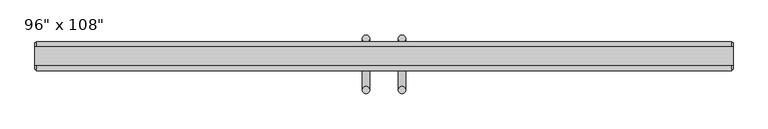
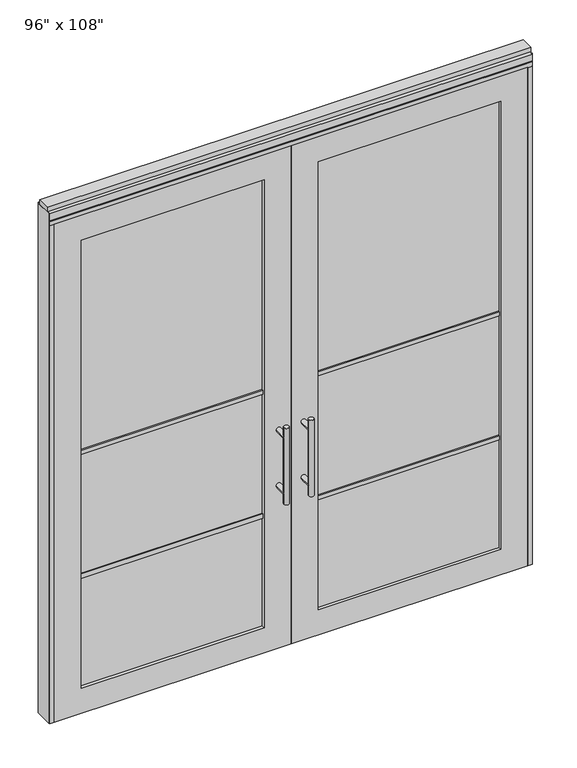
"""IFC4 building model written with IfcOpenShell, lengths in millimetres: furniture geometry."""

from ifc_helpers import new_model, si_unit, frame, origin, origin_with_axes, place, context, project, spatial, polyline, circle_curve, ellipse_curve, outline, extrude, source, transform, mapped, element, save
from ifc_brep_helpers import plane_surface, cylinder_surface, advanced_brep


def furniture_77e76c0b(model_context):
    return source(origin(), model_context, "Body", "SolidModel", [
        advanced_brep(
        [(-110.0745229, 56.6962784, 1219.2), (-135.4745229, 56.6962784, 1219.2), (-110.0745229, 56.6962784, 812.8), (-135.4745229, 56.6962784, 812.8), (-110.0745229, 56.6962784, 1164.336), (-110.0745229, 56.6962784, 867.664), (-135.4745229, 56.6962784, 867.664), (-135.4745229, 56.6962784, 1164.336), (-110.0745229, -10.8677216, 1164.336), (-135.4745229, -10.8677216, 1164.336), (-110.0745229, -10.8677216, 867.664), (-135.4745229, -10.8677216, 867.664)],
        [
            (0, 1, circle_curve(frame((-122.7745229, 56.6962784, 1219.2), z_axis=(0.0, 0.0, 1.0), x_axis=(-1.0, 0.0, 0.0)), 12.7)),
            (1, 0, circle_curve(frame((-122.7745229, 56.6962784, 1219.2), z_axis=(0.0, 0.0, 1.0), x_axis=(-1.0, 0.0, 0.0)), 12.7)),
            (2, 3, circle_curve(frame((-122.7745229, 56.6962784, 812.8), z_axis=(0.0, 0.0, -1.0), x_axis=(-1.0, 0.0, 0.0)), 12.7)),
            (3, 2, circle_curve(frame((-122.7745229, 56.6962784, 812.8), z_axis=(0.0, 0.0, -1.0), x_axis=(-1.0, 0.0, 0.0)), 12.7)),
            (0, 4),
            (4, 5),
            (5, 2),
            (3, 6),
            (6, 7),
            (7, 1),
            (7, 4, ellipse_curve(frame((-122.7745229, 56.6962784, 1164.336), z_axis=(0.0, 0.707106781186565, 0.70710678118653), x_axis=(0.0, -0.70710678118653, 0.707106781186565)), 17.9605122, 12.7)),
            (5, 6, ellipse_curve(frame((-122.7745229, 56.6962784, 867.664), z_axis=(0.0, 0.70710678118653, -0.7071067811865649), x_axis=(0.0, 0.7071067811865648, 0.7071067811865301)), 17.9605122, 12.7)),
            (4, 7, ellipse_curve(frame((-122.7745229, 56.6962784, 1164.336), z_axis=(0.0, 0.70710678118653, -0.7071067811865649), x_axis=(0.0, 0.7071067811865648, 0.7071067811865301)), 17.9605122, 12.7)),
            (6, 5, ellipse_curve(frame((-122.7745229, 56.6962784, 867.664), z_axis=(0.0, 0.707106781186565, 0.70710678118653), x_axis=(0.0, -0.70710678118653, 0.707106781186565)), 17.9605122, 12.7)),
            (8, 9, circle_curve(frame((-122.7745229, -10.8677216, 1164.336), z_axis=(0.0, -1.0, 0.0), x_axis=(-1.0, 0.0, 0.0)), 12.7)),
            (9, 8, circle_curve(frame((-122.7745229, -10.8677216, 1164.336), z_axis=(0.0, -1.0, 0.0), x_axis=(-1.0, 0.0, 0.0)), 12.7)),
            (9, 7),
            (4, 8),
            (10, 11, circle_curve(frame((-122.7745229, -10.8677216, 867.664), z_axis=(0.0, -1.0, 0.0), x_axis=(-1.0, 0.0, 0.0)), 12.7)),
            (11, 10, circle_curve(frame((-122.7745229, -10.8677216, 867.664), z_axis=(0.0, -1.0, 0.0), x_axis=(-1.0, 0.0, 0.0)), 12.7)),
            (11, 6),
            (5, 10),
        ],
        [
            plane_surface(frame((-135.4745229, 56.6962784, 1219.2), z_axis=(0.0, 0.0, 1.0), x_axis=(0.0, -1.0, 0.0))),
            plane_surface(frame((-135.4745229, 56.6962784, 812.8), z_axis=(0.0, 0.0, -1.0), x_axis=(0.0, 1.0, 0.0))),
            cylinder_surface(frame((-122.7745229, 56.6962784, 812.8), z_axis=(0.0, 0.0, 1.0), x_axis=(-1.0, 0.0, 0.0)), 12.7),
            plane_surface(frame((-135.4745229, -10.8677216, 1164.336), z_axis=(0.0, -1.0, 0.0), x_axis=(0.0, 0.0, -1.0))),
            cylinder_surface(frame((-122.7745229, -10.8677216, 1164.336), z_axis=(0.0, 1.0, 0.0), x_axis=(-1.0, 0.0, 0.0)), 12.7),
            plane_surface(frame((-135.4745229, -10.8677216, 867.664), z_axis=(0.0, -1.0, 0.0), x_axis=(0.0, 0.0, -1.0))),
            cylinder_surface(frame((-122.7745229, -10.8677216, 867.664), z_axis=(0.0, 1.0, 0.0), x_axis=(-1.0, 0.0, 0.0)), 12.7),
        ],
        [
            (0, [[1, 2]]),
            (1, [[3, 4]]),
            (2, [[-1, 5, 6, 7, -4, 8, 9, 10]]),
            (2, [[-2, -10, 11, -5]]),
            (2, [[-3, -7, 12, -8]]),
            (2, [[13, -9, 14, -6]]),
            (3, [[15, 16]]),
            (4, [[-16, 17, -13, 18]]),
            (4, [[-15, -18, -11, -17]]),
            (5, [[19, 20]]),
            (6, [[-20, 21, -12, 22]]),
            (6, [[-19, -22, -14, -21]]),
        ],
    ),
        advanced_brep(
        [(-110.0745229, -122.8817216, 1219.2), (-135.4745229, -122.8817216, 1219.2), (-110.0745229, -122.8817216, 812.8), (-135.4745229, -122.8817216, 812.8), (-135.4745229, -122.8817216, 1164.336), (-135.4745229, -122.8817216, 867.664), (-110.0745229, -122.8817216, 867.664), (-110.0745229, -122.8817216, 1164.336), (-110.0745229, -55.3177216, 1164.336), (-135.4745229, -55.3177216, 1164.336), (-110.0745229, -55.3177216, 867.664), (-135.4745229, -55.3177216, 867.664)],
        [
            (0, 1, circle_curve(frame((-122.7745229, -122.8817216, 1219.2), z_axis=(0.0, 0.0, 1.0), x_axis=(-1.0, 0.0, 0.0)), 12.7)),
            (1, 0, circle_curve(frame((-122.7745229, -122.8817216, 1219.2), z_axis=(0.0, 0.0, 1.0), x_axis=(-1.0, 0.0, 0.0)), 12.7)),
            (2, 3, circle_curve(frame((-122.7745229, -122.8817216, 812.8), z_axis=(0.0, 0.0, -1.0), x_axis=(-1.0, 0.0, 0.0)), 12.7)),
            (3, 2, circle_curve(frame((-122.7745229, -122.8817216, 812.8), z_axis=(0.0, 0.0, -1.0), x_axis=(-1.0, 0.0, 0.0)), 12.7)),
            (1, 4),
            (4, 5),
            (5, 3),
            (2, 6),
            (6, 7),
            (7, 0),
            (6, 5, ellipse_curve(frame((-122.7745229, -122.8817216, 867.664), z_axis=(0.0, -0.707106781186565, 0.70710678118653), x_axis=(0.0, 0.70710678118653, 0.707106781186565)), 17.9605122, 12.7)),
            (4, 7, ellipse_curve(frame((-122.7745229, -122.8817216, 1164.336), z_axis=(0.0, -0.70710678118653, -0.7071067811865649), x_axis=(0.0, -0.7071067811865648, 0.7071067811865301)), 17.9605122, 12.7)),
            (7, 4, ellipse_curve(frame((-122.7745229, -122.8817216, 1164.336), z_axis=(0.0, -0.707106781186565, 0.70710678118653), x_axis=(0.0, 0.70710678118653, 0.707106781186565)), 17.9605122, 12.7)),
            (5, 6, ellipse_curve(frame((-122.7745229, -122.8817216, 867.664), z_axis=(0.0, -0.70710678118653, -0.7071067811865649), x_axis=(0.0, -0.7071067811865648, 0.7071067811865301)), 17.9605122, 12.7)),
            (8, 9, circle_curve(frame((-122.7745229, -55.3177216, 1164.336), z_axis=(0.0, 1.0, 0.0), x_axis=(-1.0, 0.0, 0.0)), 12.7)),
            (9, 8, circle_curve(frame((-122.7745229, -55.3177216, 1164.336), z_axis=(0.0, 1.0, 0.0), x_axis=(-1.0, 0.0, 0.0)), 12.7)),
            (8, 7),
            (4, 9),
            (10, 11, circle_curve(frame((-122.7745229, -55.3177216, 867.664), z_axis=(0.0, 1.0, 0.0), x_axis=(-1.0, 0.0, 0.0)), 12.7)),
            (11, 10, circle_curve(frame((-122.7745229, -55.3177216, 867.664), z_axis=(0.0, 1.0, 0.0), x_axis=(-1.0, 0.0, 0.0)), 12.7)),
            (10, 6),
            (5, 11),
        ],
        [
            plane_surface(frame((-135.4745229, -122.8817216, 1219.2), z_axis=(0.0, 0.0, 1.0), x_axis=(0.0, 1.0, 0.0))),
            plane_surface(frame((-135.4745229, -122.8817216, 812.8), z_axis=(0.0, 0.0, -1.0), x_axis=(0.0, -1.0, 0.0))),
            cylinder_surface(frame((-122.7745229, -122.8817216, 812.8), z_axis=(0.0, 0.0, 1.0), x_axis=(-1.0, 0.0, 0.0)), 12.7),
            plane_surface(frame((-135.4745229, -55.3177216, 1164.336), z_axis=(0.0, 1.0, 0.0), x_axis=(0.0, 0.0, -1.0))),
            cylinder_surface(frame((-122.7745229, -55.3177216, 1164.336), z_axis=(0.0, -1.0, 0.0), x_axis=(-1.0, 0.0, 0.0)), 12.7),
            plane_surface(frame((-135.4745229, -55.3177216, 867.664), z_axis=(0.0, 1.0, 0.0), x_axis=(0.0, 0.0, -1.0))),
            cylinder_surface(frame((-122.7745229, -55.3177216, 867.664), z_axis=(0.0, -1.0, 0.0), x_axis=(-1.0, 0.0, 0.0)), 12.7),
        ],
        [
            (0, [[1, 2]]),
            (1, [[3, 4]]),
            (2, [[5, 6, 7, -3, 8, 9, 10, -2]]),
            (2, [[-9, 11, -6, 12]]),
            (2, [[-10, 13, -5, -1]]),
            (2, [[-7, 14, -8, -4]]),
            (3, [[15, 16]]),
            (4, [[17, -12, 18, -15]]),
            (4, [[-18, -13, -17, -16]]),
            (5, [[19, 20]]),
            (6, [[21, -14, 22, -19]]),
            (6, [[-22, -11, -21, -20]]),
        ],
    ),
        extrude(outline(polyline([(-196.0535229, -44.2052216), (-1117.0575229, -44.2052216), (-1117.0575229, -21.9802216), (-196.0535229, -21.9802216), (-196.0535229, -44.2052216)])), frame((0.0, 0.0, 1371.6), z_axis=(0.0, 0.0, 1.0), x_axis=(1.0, 0.0, 0.0)), (0.0, 0.0, 1.0), 22.225),
        extrude(outline(polyline([(-196.0535229, -44.2052216), (-1117.0575229, -44.2052216), (-1117.0575229, -21.9802216), (-196.0535229, -21.9802216), (-196.0535229, -44.2052216)])), frame((0.0, 0.0, 711.2), z_axis=(0.0, 0.0, 1.0), x_axis=(1.0, 0.0, 0.0)), (0.0, 0.0, 1.0), 22.225),
        extrude(outline(polyline([(-1117.0575229, -38.1727216), (-1117.0575229, -28.0127216), (-196.0535229, -28.0127216), (-196.0535229, -38.1727216), (-1117.0575229, -38.1727216)])), frame((0.0, 0.0, 132.969), z_axis=(0.0, 0.0, 1.0), x_axis=(1.0, 0.0, 0.0)), (0.0, 0.0, 1.0), 2388.362),
        extrude(outline(polyline([(2654.3, -1253.0745229), (0.0, -1253.0745229), (0.0, -60.0365229), (2654.3, -60.0365229), (2654.3, -1253.0745229)]), holes=[polyline([(2521.331, -1117.0575229), (2521.331, -196.0535229), (132.969, -196.0535229), (132.969, -1117.0575229), (2521.331, -1117.0575229)])]), frame((0.0, -55.3177216, 0.0), z_axis=(0.0, 1.0, 0.0), x_axis=(0.0, 0.0, 1.0)), (0.0, 0.0, 1.0), 44.45),
        advanced_brep(
        [(-9.9985229, 56.6962784, 1219.2), (15.4014771, 56.6962784, 1219.2), (-9.9985229, 56.6962784, 812.8), (15.4014771, 56.6962784, 812.8), (15.4014771, 56.6962784, 1164.336), (15.4014771, 56.6962784, 867.664), (-9.9985229, 56.6962784, 867.664), (-9.9985229, 56.6962784, 1164.336), (-9.9985229, -10.8677216, 1164.336), (15.4014771, -10.8677216, 1164.336), (-9.9985229, -10.8677216, 867.664), (15.4014771, -10.8677216, 867.664)],
        [
            (0, 1, circle_curve(frame((2.7014771, 56.6962784, 1219.2), z_axis=(0.0, 0.0, 1.0), x_axis=(1.0, 0.0, 0.0)), 12.7)),
            (1, 0, circle_curve(frame((2.7014771, 56.6962784, 1219.2), z_axis=(0.0, 0.0, 1.0), x_axis=(1.0, 0.0, 0.0)), 12.7)),
            (2, 3, circle_curve(frame((2.7014771, 56.6962784, 812.8), z_axis=(0.0, 0.0, -1.0), x_axis=(1.0, 0.0, 0.0)), 12.7)),
            (3, 2, circle_curve(frame((2.7014771, 56.6962784, 812.8), z_axis=(0.0, 0.0, -1.0), x_axis=(1.0, 0.0, 0.0)), 12.7)),
            (1, 4),
            (4, 5),
            (5, 3),
            (2, 6),
            (6, 7),
            (7, 0),
            (6, 5, ellipse_curve(frame((2.7014771, 56.6962784, 867.664), z_axis=(0.0, 0.707106781186565, 0.70710678118653), x_axis=(0.0, -0.70710678118653, 0.707106781186565)), 17.9605122, 12.7)),
            (4, 7, ellipse_curve(frame((2.7014771, 56.6962784, 1164.336), z_axis=(0.0, 0.70710678118653, -0.7071067811865649), x_axis=(0.0, 0.7071067811865648, 0.7071067811865301)), 17.9605122, 12.7)),
            (7, 4, ellipse_curve(frame((2.7014771, 56.6962784, 1164.336), z_axis=(0.0, 0.707106781186565, 0.70710678118653), x_axis=(0.0, -0.70710678118653, 0.707106781186565)), 17.9605122, 12.7)),
            (5, 6, ellipse_curve(frame((2.7014771, 56.6962784, 867.664), z_axis=(0.0, 0.70710678118653, -0.7071067811865649), x_axis=(0.0, 0.7071067811865648, 0.7071067811865301)), 17.9605122, 12.7)),
            (8, 9, circle_curve(frame((2.7014771, -10.8677216, 1164.336), z_axis=(0.0, -1.0, 0.0), x_axis=(1.0, 0.0, 0.0)), 12.7)),
            (9, 8, circle_curve(frame((2.7014771, -10.8677216, 1164.336), z_axis=(0.0, -1.0, 0.0), x_axis=(1.0, 0.0, 0.0)), 12.7)),
            (8, 7),
            (4, 9),
            (10, 11, circle_curve(frame((2.7014771, -10.8677216, 867.664), z_axis=(0.0, -1.0, 0.0), x_axis=(1.0, 0.0, 0.0)), 12.7)),
            (11, 10, circle_curve(frame((2.7014771, -10.8677216, 867.664), z_axis=(0.0, -1.0, 0.0), x_axis=(1.0, 0.0, 0.0)), 12.7)),
            (10, 6),
            (5, 11),
        ],
        [
            plane_surface(frame((15.4014771, 56.6962784, 1219.2), z_axis=(0.0, 0.0, 1.0), x_axis=(0.0, -1.0, 0.0))),
            plane_surface(frame((15.4014771, 56.6962784, 812.8), z_axis=(0.0, 0.0, -1.0), x_axis=(0.0, 1.0, 0.0))),
            cylinder_surface(frame((2.7014771, 56.6962784, 812.8), z_axis=(0.0, 0.0, 1.0), x_axis=(1.0, 0.0, 0.0)), 12.7),
            plane_surface(frame((15.4014771, -10.8677216, 1164.336), z_axis=(0.0, -1.0, 0.0), x_axis=(0.0, 0.0, -1.0))),
            cylinder_surface(frame((2.7014771, -10.8677216, 1164.336), z_axis=(0.0, 1.0, 0.0), x_axis=(1.0, 0.0, 0.0)), 12.7),
            plane_surface(frame((15.4014771, -10.8677216, 867.664), z_axis=(0.0, -1.0, 0.0), x_axis=(0.0, 0.0, -1.0))),
            cylinder_surface(frame((2.7014771, -10.8677216, 867.664), z_axis=(0.0, 1.0, 0.0), x_axis=(1.0, 0.0, 0.0)), 12.7),
        ],
        [
            (0, [[1, 2]]),
            (1, [[3, 4]]),
            (2, [[5, 6, 7, -3, 8, 9, 10, -2]]),
            (2, [[-9, 11, -6, 12]]),
            (2, [[-10, 13, -5, -1]]),
            (2, [[-7, 14, -8, -4]]),
            (3, [[15, 16]]),
            (4, [[17, -12, 18, -15]]),
            (4, [[-18, -13, -17, -16]]),
            (5, [[19, 20]]),
            (6, [[21, -14, 22, -19]]),
            (6, [[-22, -11, -21, -20]]),
        ],
    ),
        advanced_brep(
        [(-9.9985229, -122.8817216, 1219.2), (15.4014771, -122.8817216, 1219.2), (-9.9985229, -122.8817216, 812.8), (15.4014771, -122.8817216, 812.8), (-9.9985229, -122.8817216, 1164.336), (-9.9985229, -122.8817216, 867.664), (15.4014771, -122.8817216, 867.664), (15.4014771, -122.8817216, 1164.336), (-9.9985229, -55.3177216, 1164.336), (15.4014771, -55.3177216, 1164.336), (-9.9985229, -55.3177216, 867.664), (15.4014771, -55.3177216, 867.664)],
        [
            (0, 1, circle_curve(frame((2.7014771, -122.8817216, 1219.2), z_axis=(0.0, 0.0, 1.0), x_axis=(1.0, 0.0, 0.0)), 12.7)),
            (1, 0, circle_curve(frame((2.7014771, -122.8817216, 1219.2), z_axis=(0.0, 0.0, 1.0), x_axis=(1.0, 0.0, 0.0)), 12.7)),
            (2, 3, circle_curve(frame((2.7014771, -122.8817216, 812.8), z_axis=(0.0, 0.0, -1.0), x_axis=(1.0, 0.0, 0.0)), 12.7)),
            (3, 2, circle_curve(frame((2.7014771, -122.8817216, 812.8), z_axis=(0.0, 0.0, -1.0), x_axis=(1.0, 0.0, 0.0)), 12.7)),
            (0, 4),
            (4, 5),
            (5, 2),
            (3, 6),
            (6, 7),
            (7, 1),
            (7, 4, ellipse_curve(frame((2.7014771, -122.8817216, 1164.336), z_axis=(0.0, -0.707106781186565, 0.70710678118653), x_axis=(0.0, 0.70710678118653, 0.707106781186565)), 17.9605122, 12.7)),
            (5, 6, ellipse_curve(frame((2.7014771, -122.8817216, 867.664), z_axis=(0.0, -0.70710678118653, -0.7071067811865649), x_axis=(0.0, -0.7071067811865648, 0.7071067811865301)), 17.9605122, 12.7)),
            (4, 7, ellipse_curve(frame((2.7014771, -122.8817216, 1164.336), z_axis=(0.0, -0.70710678118653, -0.7071067811865649), x_axis=(0.0, -0.7071067811865648, 0.7071067811865301)), 17.9605122, 12.7)),
            (6, 5, ellipse_curve(frame((2.7014771, -122.8817216, 867.664), z_axis=(0.0, -0.707106781186565, 0.70710678118653), x_axis=(0.0, 0.70710678118653, 0.707106781186565)), 17.9605122, 12.7)),
            (8, 9, circle_curve(frame((2.7014771, -55.3177216, 1164.336), z_axis=(0.0, 1.0, 0.0), x_axis=(1.0, 0.0, 0.0)), 12.7)),
            (9, 8, circle_curve(frame((2.7014771, -55.3177216, 1164.336), z_axis=(0.0, 1.0, 0.0), x_axis=(1.0, 0.0, 0.0)), 12.7)),
            (9, 7),
            (4, 8),
            (10, 11, circle_curve(frame((2.7014771, -55.3177216, 867.664), z_axis=(0.0, 1.0, 0.0), x_axis=(1.0, 0.0, 0.0)), 12.7)),
            (11, 10, circle_curve(frame((2.7014771, -55.3177216, 867.664), z_axis=(0.0, 1.0, 0.0), x_axis=(1.0, 0.0, 0.0)), 12.7)),
            (11, 6),
            (5, 10),
        ],
        [
            plane_surface(frame((15.4014771, -122.8817216, 1219.2), z_axis=(0.0, 0.0, 1.0), x_axis=(0.0, 1.0, 0.0))),
            plane_surface(frame((15.4014771, -122.8817216, 812.8), z_axis=(0.0, 0.0, -1.0), x_axis=(0.0, -1.0, 0.0))),
            cylinder_surface(frame((2.7014771, -122.8817216, 812.8), z_axis=(0.0, 0.0, 1.0), x_axis=(1.0, 0.0, 0.0)), 12.7),
            plane_surface(frame((15.4014771, -55.3177216, 1164.336), z_axis=(0.0, 1.0, 0.0), x_axis=(0.0, 0.0, -1.0))),
            cylinder_surface(frame((2.7014771, -55.3177216, 1164.336), z_axis=(0.0, -1.0, 0.0), x_axis=(1.0, 0.0, 0.0)), 12.7),
            plane_surface(frame((15.4014771, -55.3177216, 867.664), z_axis=(0.0, 1.0, 0.0), x_axis=(0.0, 0.0, -1.0))),
            cylinder_surface(frame((2.7014771, -55.3177216, 867.664), z_axis=(0.0, -1.0, 0.0), x_axis=(1.0, 0.0, 0.0)), 12.7),
        ],
        [
            (0, [[1, 2]]),
            (1, [[3, 4]]),
            (2, [[-1, 5, 6, 7, -4, 8, 9, 10]]),
            (2, [[-2, -10, 11, -5]]),
            (2, [[-3, -7, 12, -8]]),
            (2, [[13, -9, 14, -6]]),
            (3, [[15, 16]]),
            (4, [[-16, 17, -13, 18]]),
            (4, [[-15, -18, -11, -17]]),
            (5, [[19, 20]]),
            (6, [[-20, 21, -12, 22]]),
            (6, [[-19, -22, -14, -21]]),
        ],
    ),
        extrude(outline(polyline([(75.9804771, -44.2052216), (75.9804771, -21.9802216), (996.9844771, -21.9802216), (996.9844771, -44.2052216), (75.9804771, -44.2052216)])), frame((0.0, 0.0, 1371.6), z_axis=(0.0, 0.0, 1.0), x_axis=(1.0, 0.0, 0.0)), (0.0, 0.0, 1.0), 22.225),
        extrude(outline(polyline([(75.9804771, -44.2052216), (75.9804771, -21.9802216), (996.9844771, -21.9802216), (996.9844771, -44.2052216), (75.9804771, -44.2052216)])), frame((0.0, 0.0, 711.2), z_axis=(0.0, 0.0, 1.0), x_axis=(1.0, 0.0, 0.0)), (0.0, 0.0, 1.0), 22.225),
        extrude(outline(polyline([(996.9844771, -38.1727216), (75.9804771, -38.1727216), (75.9804771, -28.0127216), (996.9844771, -28.0127216), (996.9844771, -38.1727216)])), frame((0.0, 0.0, 132.969), z_axis=(0.0, 0.0, 1.0), x_axis=(1.0, 0.0, 0.0)), (0.0, 0.0, 1.0), 2388.362),
        extrude(outline(polyline([(2654.3, 1133.0014771), (2654.3, -60.0365229), (0.0, -60.0365229), (0.0, 1133.0014771), (2654.3, 1133.0014771)]), holes=[polyline([(2521.331, 996.9844771), (132.969, 996.9844771), (132.969, 75.9804771), (2521.331, 75.9804771), (2521.331, 996.9844771)])]), frame((0.0, -55.3177216, 0.0), z_axis=(0.0, 1.0, 0.0), x_axis=(0.0, 0.0, 1.0)), (0.0, 0.0, 1.0), 44.45),
        extrude(outline(polyline([(-1275.2995229, -55.3177216), (-1275.2995229, 46.2822784), (1155.2264771, 46.2822784), (1155.2264771, -55.3177216), (-1275.2995229, -55.3177216)])), frame((0.0, 0.0, 2654.3), z_axis=(0.0, 0.0, 1.0), x_axis=(1.0, 0.0, 0.0)), (0.0, 0.0, 1.0), 22.225),
        extrude(outline(polyline([(1159.1634771, -50.3647216), (1155.2264771, -50.3647216), (1155.2264771, 41.3292784), (1159.1634771, 41.3292784), (1159.1634771, -50.3647216)])), origin_with_axes(), (0.0, 0.0, 1.0), 2717.8),
        extrude(outline(polyline([(-1279.2365229, -50.3647216), (-1279.2365229, 41.3292784), (-1275.2995229, 41.3292784), (-1275.2995229, -50.3647216), (-1279.2365229, -50.3647216)])), origin_with_axes(), (0.0, 0.0, 1.0), 2717.8),
        extrude(outline(polyline([(1133.0014771, -55.3177216), (1133.0014771, 46.2822784), (1155.2264771, 46.2822784), (1155.2264771, -55.3177216), (1133.0014771, -55.3177216)])), origin_with_axes(), (0.0, 0.0, 1.0), 2654.3),
        extrude(outline(polyline([(-1253.0745229, -55.3177216), (-1275.2995229, -55.3177216), (-1275.2995229, 46.2822784), (-1253.0745229, 46.2822784), (-1253.0745229, -55.3177216)])), origin_with_axes(), (0.0, 0.0, 1.0), 2654.3),
        extrude(outline(polyline([(-55.3177216, 2681.478), (-55.3177216, 2717.8), (46.2822784, 2717.8), (46.2822784, 2681.478), (41.3292784, 2681.478), (41.3292784, 2676.525), (-50.3647216, 2676.525), (-50.3647216, 2681.478), (-55.3177216, 2681.478)])), frame((-1275.2995229, 0.0, 0.0), z_axis=(1.0, 0.0, 0.0), x_axis=(0.0, 1.0, 0.0)), (0.0, 0.0, 1.0), 2430.526),
        extrude(outline(polyline([(-1279.2365229, -37.0297216), (-1279.2365229, 27.9942784), (1159.1634771, 27.9942784), (1159.1634771, -37.0297216), (-1279.2365229, -37.0297216)])), frame((0.0, 0.0, 2717.8), z_axis=(0.0, 0.0, 1.0), x_axis=(1.0, 0.0, 0.0)), (0.0, 0.0, 1.0), 25.4),
    ])


if __name__ == "__main__":
    model = new_model("IFC4")
    model_context = context("Model", 3, world=origin())
    ifc_project = project(units=[si_unit("LENGTHUNIT", "METRE", prefix="MILLI")], contexts=[model_context])
    site = spatial("IfcSite", under=ifc_project)
    building = spatial("IfcBuilding", under=site)
    placement = place(None, origin())
    furniture_shape = furniture_77e76c0b(model_context)
    element("IfcFurniture", 1, ObjectType="96\" x 108\"", at=placement, inside=building, context=model_context, shape_type="MappedRepresentation", body=[
        mapped(furniture_shape, transform((0.0, 0.0, 0.0), x_axis=(1.0, 0.0, 0.0), y_axis=(0.0, 1.0, 0.0), z_axis=(0.0, 0.0, 1.0))),
    ])
    save(model, "model.ifc")
